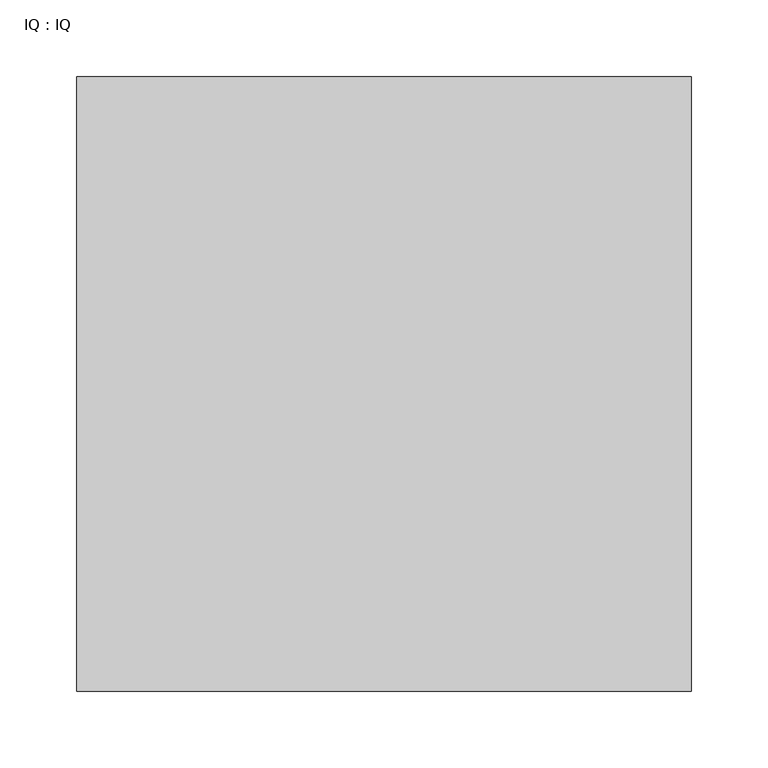
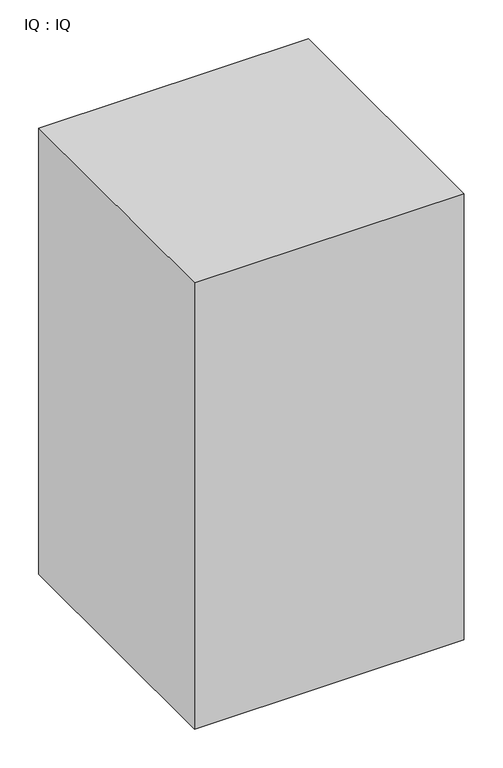
"""IFC4 building model written with IfcOpenShell, lengths in millimetres: proxy geometry, IQ : IQ."""

from ifc_helpers import new_model, si_unit, frame, origin, place, context, project, spatial, polyline, outline, extrude, source, transform, mapped, element, save


def iq_iq_d4234c40(model_context):
    return source(origin(), model_context, "Body", "SweptSolid", [
        extrude(outline(polyline([(400.0, 400.0), (400.0, 0.0), (0.0, 0.0), (0.0, 400.0), (400.0, 400.0)])), frame((0.0, 0.0, 300.0), z_axis=(0.0, 0.0, 1.0), x_axis=(1.0, 0.0, 0.0)), (0.0, 0.0, 1.0), 700.0),
    ])


if __name__ == "__main__":
    model = new_model("IFC4")
    model_context = context("Model", 3, world=origin())
    ifc_project = project(units=[si_unit("LENGTHUNIT", "METRE", prefix="MILLI")], contexts=[model_context])
    site = spatial("IfcSite", under=ifc_project)
    building = spatial("IfcBuilding", under=site)
    placement = place(None, origin())
    iq_iq_shape = iq_iq_d4234c40(model_context)
    element("IfcBuildingElementProxy", 1, Name="IQ : IQ", ObjectType="IQ : IQ", at=placement, inside=building, context=model_context, shape_type="MappedRepresentation", body=[
        mapped(iq_iq_shape, transform((0.0, 0.0, 0.0), x_axis=(1.0, 0.0, 0.0), y_axis=(0.0, 1.0, 0.0), z_axis=(0.0, 0.0, 1.0))),
    ])
    save(model, "model.ifc")
